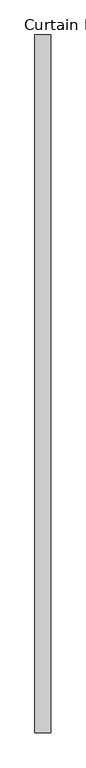
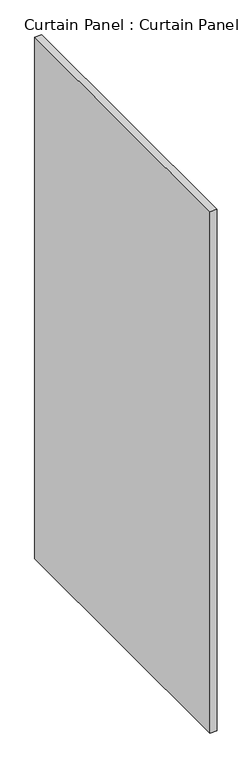
"""IFC4 building model written with IfcOpenShell, lengths in millimetres: plate geometry, Curtain Panel : Curtain Panel."""

from ifc_helpers import new_model, si_unit, frame, origin, place, context, project, spatial, polyline, outline, extrude, source, transform, mapped, element, save


def curtain_panel_curtain_panel_5a8f8db3(model_context):
    return source(origin(), model_context, "Body", "SweptSolid", [
        extrude(outline(polyline([(-290876.6259027, 3102.5191489), (-290876.6259027, 1999.6035239), (-290902.0259027, 1999.6035239), (-290902.0259027, 3102.5191489), (-290876.6259027, 3102.5191489)])), frame((0.0, 0.0, -3576.637373), z_axis=(0.0, 0.0, 1.0), x_axis=(1.0, 0.0, 0.0)), (0.0, 0.0, 1.0), 2000.2236964),
    ])


if __name__ == "__main__":
    model = new_model("IFC4")
    model_context = context("Model", 3, world=origin())
    ifc_project = project(units=[si_unit("LENGTHUNIT", "METRE", prefix="MILLI")], contexts=[model_context])
    site = spatial("IfcSite", under=ifc_project)
    building = spatial("IfcBuilding", under=site)
    placement = place(None, origin())
    curtain_panel_curtain_panel_shape = curtain_panel_curtain_panel_5a8f8db3(model_context)
    element("IfcPlate", 1, ObjectType="Curtain Panel : Curtain Panel", at=placement, inside=building, context=model_context, shape_type="MappedRepresentation", body=[
        mapped(curtain_panel_curtain_panel_shape, transform((0.0, 0.0, 0.0), x_axis=(1.0, 0.0, 0.0), y_axis=(0.0, 1.0, 0.0), z_axis=(0.0, 0.0, 1.0))),
    ])
    save(model, "model.ifc")
